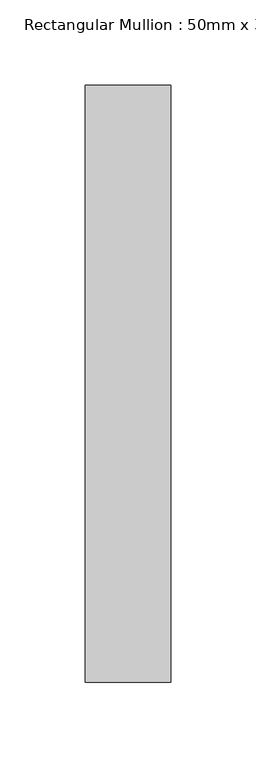
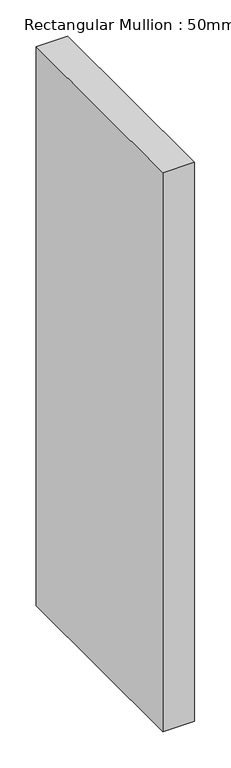
"""IFC4 building model written with IfcOpenShell, lengths in millimetres: member geometry, Rectangular Mullion : 50mm x 350mm."""

from ifc_helpers import new_model, si_unit, frame, origin, place, context, project, spatial, polyline, outline, extrude, source, transform, mapped, element, save


def rectangular_mullion_50mm_x_350mm_36dd1d41(model_context):
    return source(origin(), model_context, "Body", "SweptSolid", [
        extrude(outline(polyline([(0.0, 175.0), (0.0, -175.0), (-50.0, -175.0), (-50.0, 175.0), (0.0, 175.0)])), frame((0.0, 0.0, -940.0), z_axis=(0.0, 0.0, 1.0), x_axis=(1.0, 0.0, 0.0)), (0.0, 0.0, 1.0), 940.0),
    ])


if __name__ == "__main__":
    model = new_model("IFC4")
    model_context = context("Model", 3, world=origin())
    ifc_project = project(units=[si_unit("LENGTHUNIT", "METRE", prefix="MILLI")], contexts=[model_context])
    site = spatial("IfcSite", under=ifc_project)
    building = spatial("IfcBuilding", under=site)
    placement = place(None, origin())
    rectangular_mullion_50mm_x_350mm_shape = rectangular_mullion_50mm_x_350mm_36dd1d41(model_context)
    element("IfcMember", 1, ObjectType="Rectangular Mullion : 50mm x 350mm", at=placement, inside=building, context=model_context, shape_type="MappedRepresentation", body=[
        mapped(rectangular_mullion_50mm_x_350mm_shape, transform((0.0, 0.0, 0.0), x_axis=(1.0, 0.0, 0.0), y_axis=(0.0, 1.0, 0.0), z_axis=(0.0, 0.0, 1.0))),
    ])
    save(model, "model.ifc")
